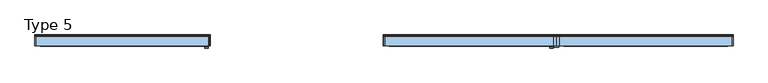
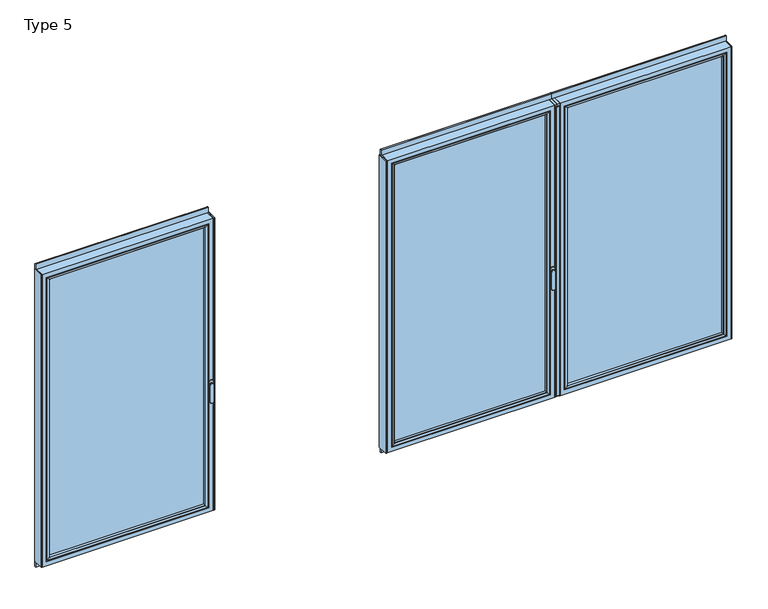
"""IFC4 building model written with IfcOpenShell, lengths in millimetres: window geometry, Type 5."""

from ifc_helpers import new_model, si_unit, point, frame, frame_2d, origin, place, context, project, spatial, polyline, circle_curve, ellipse_curve, trimmed, segment, composite_curve, outline, extrude, source, transform, mapped, element, save
from ifc_brep_helpers import plane_surface, cylinder_surface, extruded_surface, advanced_brep


def type_5_c3ba11f3(model_context):
    return source(origin(), model_context, "Body", "SolidModel", [
        extrude(outline(composite_curve([segment(polyline([(632.7000099, -60.0), (632.7000099, -67.5)]), True, "CONTINUOUS"), segment(trimmed(circle_curve(frame_2d((630.2000099, -67.5)), 2.5), [point((632.7000099, -67.5))], [point((630.2000099, -70.0))], False, "CARTESIAN"), True, "CONTINUOUS"), segment(polyline([(630.2000099, -70.0), (604.2000099, -70.0)]), True, "CONTINUOUS"), segment(trimmed(circle_curve(frame_2d((604.2000099, -67.5)), 2.5), [point((604.2000099, -70.0))], [point((601.7000099, -67.5))], False, "CARTESIAN"), True, "CONTINUOUS"), segment(polyline([(601.7000099, -67.5), (601.7000099, -60.0), (632.7000099, -60.0)]), True, "CONTINUOUS")], self_intersect=False)), frame((0.0, 0.0, 80.0), z_axis=(0.0, 0.0, 1.0), x_axis=(1.0, 0.0, 0.0)), (0.0, 0.0, 1.0), 2230.0),
        extrude(outline(polyline([(1893.6000099, 20.0), (1893.6000099, -60.0), (1887.6000099, -60.0), (1887.6000099, 20.0), (1893.6000099, 20.0)])), frame((0.0, 0.0, 66.0), z_axis=(0.0, 0.0, 1.0), x_axis=(1.0, 0.0, 0.0)), (0.0, 0.0, 1.0), 2258.0),
        extrude(outline(polyline([(617.2000099, 20.0), (637.2000099, 20.0), (637.2000099, -60.0), (617.2000099, -60.0), (617.2000099, 20.0)])), frame((0.0, 0.0, 66.0), z_axis=(0.0, 0.0, 1.0), x_axis=(1.0, 0.0, 0.0)), (0.0, 0.0, 1.0), 2258.0),
        advanced_brep(
        [(1887.6000099, -60.0, 2324.0), (1887.6000099, -60.0, 66.0), (1887.6000099, 20.0, 66.0), (1887.6000099, 20.0, 2324.0), (637.2000099, -60.0, 66.0), (637.2000099, 20.0, 66.0), (637.2000099, 20.0, 2324.0), (682.6996392, 20.0, 111.4996293), (1842.1003806, 20.0, 111.4996293), (1842.1003806, 20.0, 2278.5003707), (682.6996392, 20.0, 2278.5003707), (637.2000099, -60.0, 2324.0), (1855.6000099, -60.0, 98.0), (669.2000099, -60.0, 98.0), (669.2000099, -60.0, 2292.0), (1855.6000099, -60.0, 2292.0), (1855.6000099, 3.9999997, 2292.0), (1855.6000099, 3.9999997, 98.0), (669.2000099, 3.9999997, 98.0), (669.2000099, 3.9999997, 2292.0), (1837.5999979, 3.9999997, 116.000012), (687.2000219, 3.9999997, 116.000012), (687.2000219, 3.9999997, 2273.999988), (1837.5999979, 3.9999997, 2273.999988), (1837.5999979, 15.4995565, 2273.999988), (1837.5999979, 15.4995565, 116.000012), (687.2000219, 15.4995565, 116.000012), (687.2000219, 15.4995565, 2273.999988)],
        [
            (0, 1),
            (1, 2),
            (2, 3),
            (3, 0),
            (1, 4),
            (4, 5),
            (5, 2),
            (5, 6),
            (6, 3),
            (7, 8),
            (8, 9),
            (9, 10),
            (10, 7),
            (4, 11),
            (11, 6),
            (0, 11),
            (12, 13),
            (13, 14),
            (14, 15),
            (15, 12),
            (16, 17),
            (17, 12),
            (15, 16),
            (17, 18),
            (18, 13),
            (18, 19),
            (19, 14),
            (16, 19),
            (20, 21),
            (21, 22),
            (22, 23),
            (23, 20),
            (24, 25),
            (25, 20),
            (23, 24),
            (25, 26),
            (26, 21),
            (26, 27),
            (27, 22),
            (7, 26, ellipse_curve(frame((682.6996392, 15.4995565, 111.4996293), z_axis=(0.7071067811865475, 0.0, -0.7071067811865475), x_axis=(0.7071067811865476, 0.0, 0.7071067811865474)), 6.3645023, 4.5003827)),
            (25, 8, ellipse_curve(frame((1842.1003806, 15.4995565, 111.4996293), z_axis=(-0.7071067811865475, 0.0, -0.7071067811865475), x_axis=(0.7071067811865476, 0.0, -0.7071067811865474)), 6.3645023, 4.5003827)),
            (24, 9, ellipse_curve(frame((1842.1003806, 15.4995565, 2278.5003707), z_axis=(0.7071067811865475, 0.0, -0.7071067811865475), x_axis=(0.7071067811865474, 0.0, 0.7071067811865476)), 6.3645023, 4.5003827)),
            (10, 27, ellipse_curve(frame((682.6996392, 15.4995565, 2278.5003707), z_axis=(-0.7071067811865475, 0.0, -0.7071067811865475), x_axis=(0.7071067811865474, 0.0, -0.7071067811865476)), 6.3645023, 4.5003827)),
            (27, 24),
        ],
        [
            plane_surface(frame((1887.6000099, 20.0, 2324.0), z_axis=(1.0, 0.0, 0.0), x_axis=(0.0, 0.0, -1.0))),
            plane_surface(frame((1887.6000099, 20.0, 66.0), z_axis=(0.0, 0.0, -1.0), x_axis=(-1.0, 0.0, 0.0))),
            plane_surface(frame((1842.1003806, 20.0, 2278.5003707), z_axis=(0.0, 1.0, 0.0), x_axis=(0.0, 0.0, -1.0))),
            plane_surface(frame((637.2000099, 20.0, 66.0), z_axis=(-1.0, 0.0, 0.0), x_axis=(0.0, 0.0, 1.0))),
            plane_surface(frame((1887.6000099, -60.0, 2324.0), z_axis=(0.0, -1.0, 0.0), x_axis=(0.0, 0.0, -1.0))),
            plane_surface(frame((1855.6000099, -60.0, 2292.0), z_axis=(-1.0, 0.0, 0.0), x_axis=(0.0, 0.0, -1.0))),
            plane_surface(frame((1855.6000099, -60.0, 98.0), z_axis=(0.0, 0.0, 1.0), x_axis=(-1.0, 0.0, 0.0))),
            plane_surface(frame((669.2000099, -60.0, 98.0), z_axis=(1.0, 0.0, 0.0), x_axis=(0.0, 0.0, 1.0))),
            plane_surface(frame((1855.6000099, 3.9999997, 2292.0), z_axis=(0.0, -1.0, 0.0), x_axis=(0.0, 0.0, -1.0))),
            plane_surface(frame((1837.5999979, 3.9999997, 2273.999988), z_axis=(-1.0, 0.0, 0.0), x_axis=(0.0, 0.0, -1.0))),
            plane_surface(frame((1837.5999979, 3.9999997, 116.000012), z_axis=(0.0, 0.0, 1.0), x_axis=(-1.0, 0.0, 0.0))),
            plane_surface(frame((687.2000219, 3.9999997, 116.000012), z_axis=(1.0, 0.0, 0.0), x_axis=(0.0, 0.0, 1.0))),
            cylinder_surface(frame((1893.6000099, 15.4995565, 111.4996293), z_axis=(1.0, 0.0, 0.0), x_axis=(0.0, -1.0, 0.0)), 4.5003827),
            cylinder_surface(frame((1842.1003806, 15.4995565, 2330.0), z_axis=(0.0, 0.0, 1.0), x_axis=(0.0, -1.0, 0.0)), 4.5003827),
            cylinder_surface(frame((682.6996392, 15.4995565, 60.0), z_axis=(0.0, 0.0, -1.0), x_axis=(0.0, -1.0, 0.0)), 4.5003827),
            plane_surface(frame((637.2000099, 20.0, 2324.0), z_axis=(0.0, 0.0, 1.0), x_axis=(1.0, 0.0, 0.0))),
            plane_surface(frame((669.2000099, -60.0, 2292.0), z_axis=(0.0, 0.0, -1.0), x_axis=(1.0, 0.0, 0.0))),
            plane_surface(frame((687.2000219, 3.9999997, 2273.999988), z_axis=(0.0, 0.0, -1.0), x_axis=(1.0, 0.0, 0.0))),
            cylinder_surface(frame((631.2000099, 15.4995565, 2278.5003707), z_axis=(-1.0, 0.0, 0.0), x_axis=(0.0, -1.0, 0.0)), 4.5003827),
        ],
        [
            (0, [[1, 2, 3, 4]]),
            (1, [[5, 6, 7, -2]]),
            (2, [[-7, 8, 9, -3], [10, 11, 12, 13]]),
            (3, [[14, 15, -8, -6]]),
            (4, [[-5, -1, 16, -14], [17, 18, 19, 20]]),
            (5, [[21, 22, -20, 23]]),
            (6, [[24, 25, -17, -22]]),
            (7, [[26, 27, -18, -25]]),
            (8, [[-24, -21, 28, -26], [29, 30, 31, 32]]),
            (9, [[33, 34, -32, 35]]),
            (10, [[36, 37, -29, -34]]),
            (11, [[38, 39, -30, -37]]),
            (12, [[-10, 40, -36, 41]]),
            (13, [[-11, -41, -33, 42]]),
            (14, [[-13, 43, -38, -40]]),
            (15, [[-16, -4, -9, -15]]),
            (16, [[-28, -23, -19, -27]]),
            (17, [[44, -35, -31, -39]]),
            (18, [[-12, -42, -44, -43]]),
        ],
    ),
        extrude(outline(polyline([(1855.5996928, 3.9999997), (1855.5996928, -34.0000003), (669.2003271, -34.0000003), (669.2003271, 3.9999997), (1855.5996928, 3.9999997)])), frame((0.0, 0.0, 98.0003172), z_axis=(0.0, 0.0, 1.0), x_axis=(1.0, 0.0, 0.0)), (0.0, 0.0, 1.0), 2193.9993657),
        advanced_brep(
        [(691.1998998, -54.5552044, 2270.0001101), (691.1998998, -54.5552044, 119.9998899), (691.1998998, -34.0000003, 119.9998899), (691.1998998, -34.0000003, 2270.0001101), (669.2003271, -34.0000003, 2291.9996828), (1855.5996928, -34.0000003, 2291.9996828), (1855.5996928, -34.0000003, 98.0003172), (669.2003271, -34.0000003, 98.0003172), (1833.60012, -34.0000003, 2270.0001101), (1833.60012, -34.0000003, 119.9998899), (1833.60012, -54.5552044, 119.9998899), (690.4903564, -55.8045072, 2270.7096535), (690.4903564, -55.8045072, 119.2903465), (1834.3096634, -55.8045072, 119.2903465), (675.200266, -60.0, 2285.9997439), (675.200266, -60.0, 104.0002561), (1849.5997538, -60.0, 104.0002561), (1855.5996928, -60.0, 2291.9996828), (669.2003271, -60.0, 2291.9996828), (669.2003271, -60.0, 98.0003172), (1855.5996928, -60.0, 98.0003172), (1849.5997538, -60.0, 2285.9997439), (1833.60012, -54.5552044, 2270.0001101), (1834.3096634, -55.8045072, 2270.7096535)],
        [
            (0, 1),
            (1, 2),
            (2, 3),
            (3, 0),
            (4, 5),
            (5, 6),
            (6, 7),
            (7, 4),
            (8, 3),
            (2, 9),
            (9, 8),
            (1, 10),
            (10, 9),
            (11, 12),
            (12, 1, ellipse_curve(frame((689.7452958, -54.5552044, 118.5452859), z_axis=(-0.7071067811865475, 0.0, 0.7071067811865475), x_axis=(0.7071067811865474, 0.0, 0.7071067811865476)), 2.0571207, 1.454604)),
            (0, 11, ellipse_curve(frame((689.7452958, -54.5552044, 2271.4547141), z_axis=(-0.7071067811865475, 0.0, -0.7071067811865475), x_axis=(-0.7071067811865474, 0.0, 0.7071067811865476)), 2.0571207, 1.454604)),
            (12, 13),
            (13, 10, ellipse_curve(frame((1835.054724, -54.5552044, 118.5452859), z_axis=(-0.7071067811865475, 0.0, -0.7071067811865475), x_axis=(-0.7071067811865476, 0.0, 0.7071067811865474)), 2.0571207, 1.454604)),
            (14, 15),
            (15, 12, ellipse_curve(frame((675.2642016, -30.2735922, 104.0641917), z_axis=(-0.7071067811865475, 0.0, 0.7071067811865475), x_axis=(0.7071067811865474, 0.0, 0.7071067811865476)), 42.0395863, 29.7264765)),
            (11, 14, ellipse_curve(frame((675.2642016, -30.2735922, 2285.9358083), z_axis=(-0.7071067811865475, 0.0, -0.7071067811865475), x_axis=(-0.7071067811865474, 0.0, 0.7071067811865476)), 42.0395863, 29.7264765)),
            (15, 16),
            (16, 13, ellipse_curve(frame((1849.5358182, -30.2735922, 104.0641917), z_axis=(-0.7071067811865475, 0.0, -0.7071067811865475), x_axis=(-0.7071067811865476, 0.0, 0.7071067811865474)), 42.0395863, 29.7264765)),
            (17, 18),
            (18, 19),
            (19, 20),
            (20, 17),
            (14, 21),
            (21, 16),
            (7, 19),
            (18, 4),
            (6, 20),
            (10, 22),
            (22, 8),
            (13, 23),
            (23, 22, ellipse_curve(frame((1835.054724, -54.5552044, 2271.4547141), z_axis=(0.7071067811865475, 0.0, -0.7071067811865475), x_axis=(-0.7071067811865474, 0.0, -0.7071067811865476)), 2.0571207, 1.454604)),
            (21, 23, ellipse_curve(frame((1849.5358182, -30.2735922, 2285.9358083), z_axis=(0.7071067811865475, 0.0, -0.7071067811865475), x_axis=(-0.7071067811865474, 0.0, -0.7071067811865476)), 42.0395863, 29.7264765)),
            (5, 17),
            (22, 0),
            (23, 11),
        ],
        [
            plane_surface(frame((691.1998998, -34.0000003, 2270.0001101), z_axis=(1.0, 0.0, 0.0), x_axis=(0.0, 0.0, -1.0))),
            plane_surface(frame((1855.5996928, -34.0000003, 98.0003172), z_axis=(0.0, 1.0, 0.0), x_axis=(0.0, 0.0, 1.0))),
            plane_surface(frame((691.1998998, -34.0000003, 119.9998899), z_axis=(0.0, 0.0, 1.0), x_axis=(1.0, 0.0, 0.0))),
            cylinder_surface(frame((689.7452958, -54.5552044, 2273.999988), z_axis=(0.0, 0.0, 1.0), x_axis=(-1.0, 0.0, 0.0)), 1.454604),
            cylinder_surface(frame((687.2000219, -54.5552044, 118.5452859), z_axis=(-1.0, 0.0, 0.0), x_axis=(0.0, 0.0, -1.0)), 1.454604),
            cylinder_surface(frame((675.2642016, -30.2735922, 2273.999988), z_axis=(0.0, 0.0, 1.0), x_axis=(-1.0, 0.0, 0.0)), 29.7264765),
            cylinder_surface(frame((687.2000219, -30.2735922, 104.0641917), z_axis=(-1.0, 0.0, 0.0), x_axis=(0.0, 0.0, -1.0)), 29.7264765),
            plane_surface(frame((1849.5997538, -60.0, 104.0002561), z_axis=(0.0, -1.0, 0.0), x_axis=(0.0, 0.0, 1.0))),
            plane_surface(frame((669.2003271, -60.0, 2291.9996828), z_axis=(-1.0, 0.0, 0.0), x_axis=(0.0, 0.0, -1.0))),
            plane_surface(frame((669.2003271, -60.0, 98.0003172), z_axis=(0.0, 0.0, -1.0), x_axis=(1.0, 0.0, 0.0))),
            plane_surface(frame((1833.60012, -34.0000003, 119.9998899), z_axis=(-1.0, 0.0, 0.0), x_axis=(0.0, 0.0, 1.0))),
            cylinder_surface(frame((1835.054724, -54.5552044, 116.000012), z_axis=(0.0, 0.0, -1.0), x_axis=(1.0, 0.0, 0.0)), 1.454604),
            cylinder_surface(frame((1849.5358182, -30.2735922, 116.000012), z_axis=(0.0, 0.0, -1.0), x_axis=(1.0, 0.0, 0.0)), 29.7264765),
            plane_surface(frame((1855.5996928, -60.0, 98.0003172), z_axis=(1.0, 0.0, 0.0), x_axis=(0.0, 0.0, 1.0))),
            plane_surface(frame((1833.60012, -34.0000003, 2270.0001101), z_axis=(0.0, 0.0, -1.0), x_axis=(-1.0, 0.0, 0.0))),
            cylinder_surface(frame((1837.5999979, -54.5552044, 2271.4547141), z_axis=(1.0, 0.0, 0.0), x_axis=(0.0, 0.0, 1.0)), 1.454604),
            cylinder_surface(frame((1837.5999979, -30.2735922, 2285.9358083), z_axis=(1.0, 0.0, 0.0), x_axis=(0.0, 0.0, 1.0)), 29.7264765),
            plane_surface(frame((1855.5996928, -60.0, 2291.9996828), z_axis=(0.0, 0.0, 1.0), x_axis=(-1.0, 0.0, 0.0))),
        ],
        [
            (0, [[1, 2, 3, 4]]),
            (1, [[5, 6, 7, 8], [9, -3, 10, 11]]),
            (2, [[12, 13, -10, -2]]),
            (3, [[14, 15, -1, 16]]),
            (4, [[17, 18, -12, -15]]),
            (5, [[19, 20, -14, 21]]),
            (6, [[22, 23, -17, -20]]),
            (7, [[24, 25, 26, 27], [28, 29, -22, -19]]),
            (8, [[-8, 30, -25, 31]]),
            (9, [[-7, 32, -26, -30]]),
            (10, [[33, 34, -11, -13]]),
            (11, [[35, 36, -33, -18]]),
            (12, [[-29, 37, -35, -23]]),
            (13, [[-6, 38, -27, -32]]),
            (14, [[39, -4, -9, -34]]),
            (15, [[40, -16, -39, -36]]),
            (16, [[-28, -21, -40, -37]]),
            (17, [[-5, -31, -24, -38]]),
        ],
    ),
        extrude(outline(composite_curve([segment(polyline([(20.0, 2362.5), (20.0, 2324.0), (10.0, 2324.0), (10.0, 2365.0), (17.5, 2365.0)]), True, "CONTINUOUS"), segment(trimmed(circle_curve(frame_2d((17.5, 2362.5)), 2.5), [point((17.5, 2365.0))], [point((20.0, 2362.5))], False, "CARTESIAN"), True, "CONTINUOUS")], self_intersect=False)), frame((617.2000099, 0.0, 0.0), z_axis=(1.0, 0.0, 0.0), x_axis=(0.0, 1.0, 0.0)), (0.0, 0.0, 1.0), 1276.4),
        extrude(outline(composite_curve([segment(trimmed(circle_curve(frame_2d((17.5, 27.5)), 2.5), [point((20.0, 27.5))], [point((17.5, 25.0))], False, "CARTESIAN"), True, "CONTINUOUS"), segment(polyline([(17.5, 25.0), (10.0, 25.0), (10.0, 66.0), (20.0, 66.0), (20.0, 27.5)]), True, "CONTINUOUS")], self_intersect=False)), frame((617.2000099, 0.0, 0.0), z_axis=(1.0, 0.0, 0.0), x_axis=(0.0, 1.0, 0.0)), (0.0, 0.0, 1.0), 1276.4),
        advanced_brep(
        [(569.2113989, -63.5, 1050.0), (593.1886605, -63.5, 1050.0), (593.1886605, -66.8965533, 1050.0), (569.2113989, -66.8965533, 1050.0), (569.2113989, -74.5, 1050.0), (569.2113989, -74.5, 918.6867153), (593.1886605, -74.5, 918.6867153), (593.1886605, -74.5, 1050.0), (593.1886605, -66.8965533, 918.6867153), (569.2113989, -66.8965533, 918.6867153)],
        [
            (0, 1, circle_curve(frame((581.2000297, -63.5, 1050.0), z_axis=(0.0, 1.0, 0.0), x_axis=(1.0, 0.0, 0.0)), 11.9886308)),
            (1, 0, circle_curve(frame((581.2000297, -63.5, 1050.0), z_axis=(0.0, 1.0, 0.0), x_axis=(1.0, 0.0, 0.0)), 11.9886308)),
            (1, 2),
            (2, 3, circle_curve(frame((581.2000297, -66.8965533, 1050.0), z_axis=(0.0, 1.0, 0.0), x_axis=(1.0, 0.0, 0.0)), 11.9886308)),
            (3, 0),
            (3, 2, circle_curve(frame((581.2000297, -66.8965533, 1050.0), z_axis=(0.0, 1.0, 0.0), x_axis=(1.0, 0.0, 0.0)), 11.9886308)),
            (4, 5),
            (5, 6, ellipse_curve(frame((581.2000297, -74.5, 918.6867153), z_axis=(0.0, -1.0, 0.0), x_axis=(-1.0, 0.0, 0.0)), 11.9886308, 7.9050795)),
            (6, 7),
            (7, 4, circle_curve(frame((581.2000297, -74.5, 1050.0), z_axis=(0.0, -1.0, 0.0), x_axis=(1.0, 0.0, 0.0)), 11.9886308)),
            (2, 8),
            (8, 9, ellipse_curve(frame((581.2000297, -66.8965533, 918.6867153), z_axis=(0.0, 1.0, 0.0), x_axis=(-1.0, 0.0, 0.0)), 11.9886308, 7.9050795)),
            (9, 3),
            (4, 3),
            (9, 5),
            (8, 6),
            (2, 7),
        ],
        [
            plane_surface(frame((593.1886605, -63.5, 1050.0), z_axis=(0.0, 1.0, 0.0), x_axis=(0.0, 0.0, -1.0))),
            cylinder_surface(frame((581.2000297, -63.5, 1050.0), z_axis=(0.0, -1.0, 0.0), x_axis=(1.0, 0.0, 0.0)), 11.9886308),
            plane_surface(frame((569.2113989, -74.5, 928.3382074), z_axis=(0.0, -1.0, 0.0), x_axis=(0.0, 0.0, -1.0))),
            plane_surface(frame((569.2113989, -66.8965533, 928.3382074), z_axis=(0.0, 1.0, 0.0), x_axis=(0.0, 0.0, 1.0))),
            plane_surface(frame((569.2113989, -74.5, 1050.0), z_axis=(-1.0, 0.0, 0.0), x_axis=(0.0, 1.0, 0.0))),
            extruded_surface(trimmed(ellipse_curve(frame((581.2000297, -59.2931066, 918.6867153), z_axis=(0.0, -1.0, 0.0), x_axis=(-1.0, 0.0, 0.0)), 11.9886308, 7.9050795), [point((569.2113989, -59.2931066, 918.6867153))], [point((593.1886605, -59.2931066, 918.6867153))], True, "CARTESIAN"), (0.0, -7.603446699999992, 0.0), 7.603446699999992),
            plane_surface(frame((593.1886605, -74.5, 918.6867153), z_axis=(1.0, 0.0, 0.0), x_axis=(0.0, 1.0, 0.0))),
            cylinder_surface(frame((581.2000297, -66.8965533, 1050.0), z_axis=(0.0, -1.0, 0.0), x_axis=(1.0, 0.0, 0.0)), 11.9886308),
        ],
        [
            (0, [[1, 2]]),
            (1, [[-2, 3, 4, 5]]),
            (1, [[-1, -5, 6, -3]]),
            (2, [[7, 8, 9, 10]]),
            (3, [[11, 12, 13, -4]]),
            (4, [[-7, 14, -13, 15]]),
            (5, [[-8, -15, -12, 16]]),
            (6, [[-9, -16, -11, 17]]),
            (7, [[-10, -17, -6, -14]]),
        ],
    ),
        extrude(outline(composite_curve([segment(polyline([(1068.75, 567.2000297), (1031.25, 567.2000297)]), True, "CONTINUOUS"), segment(trimmed(circle_curve(frame_2d((1031.25, 581.2000297)), 14.0), [point((1031.25, 567.2000297))], [point((1031.25, 595.2000297))], False, "CARTESIAN"), True, "CONTINUOUS"), segment(polyline([(1031.25, 595.2000297), (1068.75, 595.2000297)]), True, "CONTINUOUS"), segment(trimmed(circle_curve(frame_2d((1068.75, 581.2000297)), 14.0), [point((1068.75, 595.2000297))], [point((1068.75, 567.2000297))], False, "CARTESIAN"), True, "CONTINUOUS")], self_intersect=False)), frame((0.0, -63.5, 0.0), z_axis=(0.0, 1.0, 0.0), x_axis=(0.0, 0.0, 1.0)), (0.0, 0.0, 1.0), 3.5),
        extrude(outline(polyline([(-631.1999703, 20.0), (-625.1999703, 20.0), (-625.1999703, -60.0), (-631.1999703, -60.0), (-631.1999703, 20.0)])), frame((0.0, 0.0, 66.0), z_axis=(0.0, 0.0, 1.0), x_axis=(1.0, 0.0, 0.0)), (0.0, 0.0, 1.0), 2258.0),
        extrude(outline(polyline([(617.2000297, 20.0), (617.2000297, -60.0), (597.2000297, -60.0), (597.2000297, 20.0), (617.2000297, 20.0)])), frame((0.0, 0.0, 66.0), z_axis=(0.0, 0.0, 1.0), x_axis=(1.0, 0.0, 0.0)), (0.0, 0.0, 1.0), 2258.0),
        advanced_brep(
        [(-625.1999703, -60.0, 2324.0), (-625.1999703, 20.0, 2324.0), (-625.1999703, 20.0, 66.0), (-625.1999703, -60.0, 66.0), (597.2000297, 20.0, 66.0), (597.2000297, -60.0, 66.0), (597.2000297, 20.0, 2324.0), (551.7004004, 20.0, 111.4996293), (551.7004004, 20.0, 2278.5003707), (-579.700341, 20.0, 2278.5003707), (-579.700341, 20.0, 111.4996293), (597.2000297, -60.0, 2324.0), (-593.1999703, -60.0, 98.0), (-593.1999703, -60.0, 2292.0), (565.2000297, -60.0, 2292.0), (565.2000297, -60.0, 98.0), (-593.1999703, 3.9999997, 2292.0), (-593.1999703, 3.9999997, 98.0), (565.2000297, 3.9999997, 98.0), (565.2000297, 3.9999997, 2292.0), (-575.1999583, 3.9999997, 116.000012), (-575.1999583, 3.9999997, 2273.999988), (547.2000178, 3.9999997, 2273.999988), (547.2000178, 3.9999997, 116.000012), (-575.1999583, 15.4995565, 2273.999988), (-575.1999583, 15.4995565, 116.000012), (547.2000178, 15.4995565, 116.000012), (547.2000178, 15.4995565, 2273.999988)],
        [
            (0, 1),
            (1, 2),
            (2, 3),
            (3, 0),
            (2, 4),
            (4, 5),
            (5, 3),
            (1, 6),
            (6, 4),
            (7, 8),
            (8, 9),
            (9, 10),
            (10, 7),
            (6, 11),
            (11, 5),
            (11, 0),
            (12, 13),
            (13, 14),
            (14, 15),
            (15, 12),
            (16, 13),
            (12, 17),
            (17, 16),
            (15, 18),
            (18, 17),
            (14, 19),
            (19, 18),
            (19, 16),
            (20, 21),
            (21, 22),
            (22, 23),
            (23, 20),
            (24, 21),
            (20, 25),
            (25, 24),
            (23, 26),
            (26, 25),
            (22, 27),
            (27, 26),
            (10, 25, ellipse_curve(frame((-579.700341, 15.4995565, 111.4996293), z_axis=(0.7071067811865475, 0.0, -0.7071067811865475), x_axis=(-0.7071067811865476, 0.0, -0.7071067811865474)), 6.3645023, 4.5003827)),
            (26, 7, ellipse_curve(frame((551.7004004, 15.4995565, 111.4996293), z_axis=(-0.7071067811865475, 0.0, -0.7071067811865475), x_axis=(-0.7071067811865476, 0.0, 0.7071067811865474)), 6.3645023, 4.5003827)),
            (9, 24, ellipse_curve(frame((-579.700341, 15.4995565, 2278.5003707), z_axis=(-0.7071067811865475, 0.0, -0.7071067811865475), x_axis=(-0.7071067811865474, 0.0, 0.7071067811865476)), 6.3645023, 4.5003827)),
            (27, 8, ellipse_curve(frame((551.7004004, 15.4995565, 2278.5003707), z_axis=(0.7071067811865475, 0.0, -0.7071067811865475), x_axis=(-0.7071067811865474, 0.0, -0.7071067811865476)), 6.3645023, 4.5003827)),
            (24, 27),
        ],
        [
            plane_surface(frame((-625.1999703, 20.0, 2324.0), z_axis=(-1.0, 0.0, 0.0), x_axis=(0.0, 0.0, -1.0))),
            plane_surface(frame((-625.1999703, 20.0, 66.0), z_axis=(0.0, 0.0, -1.0), x_axis=(1.0, 0.0, 0.0))),
            plane_surface(frame((-579.700341, 20.0, 2278.5003707), z_axis=(0.0, 1.0, 0.0), x_axis=(0.0, 0.0, -1.0))),
            plane_surface(frame((597.2000297, 20.0, 66.0), z_axis=(1.0, 0.0, 0.0), x_axis=(0.0, 0.0, 1.0))),
            plane_surface(frame((-625.1999703, -60.0, 2324.0), z_axis=(0.0, -1.0, 0.0), x_axis=(0.0, 0.0, -1.0))),
            plane_surface(frame((-593.1999703, -60.0, 2292.0), z_axis=(1.0, 0.0, 0.0), x_axis=(0.0, 0.0, -1.0))),
            plane_surface(frame((-593.1999703, -60.0, 98.0), z_axis=(0.0, 0.0, 1.0), x_axis=(1.0, 0.0, 0.0))),
            plane_surface(frame((565.2000297, -60.0, 98.0), z_axis=(-1.0, 0.0, 0.0), x_axis=(0.0, 0.0, 1.0))),
            plane_surface(frame((-593.1999703, 3.9999997, 2292.0), z_axis=(0.0, -1.0, 0.0), x_axis=(0.0, 0.0, -1.0))),
            plane_surface(frame((-575.1999583, 3.9999997, 2273.999988), z_axis=(1.0, 0.0, 0.0), x_axis=(0.0, 0.0, -1.0))),
            plane_surface(frame((-575.1999583, 3.9999997, 116.000012), z_axis=(0.0, 0.0, 1.0), x_axis=(1.0, 0.0, 0.0))),
            plane_surface(frame((547.2000178, 3.9999997, 116.000012), z_axis=(-1.0, 0.0, 0.0), x_axis=(0.0, 0.0, 1.0))),
            cylinder_surface(frame((-631.1999703, 15.4995565, 111.4996293), z_axis=(-1.0, 0.0, 0.0), x_axis=(0.0, -1.0, 0.0)), 4.5003827),
            cylinder_surface(frame((-579.700341, 15.4995565, 2330.0), z_axis=(0.0, 0.0, 1.0), x_axis=(0.0, -1.0, 0.0)), 4.5003827),
            cylinder_surface(frame((551.7004004, 15.4995565, 60.0), z_axis=(0.0, 0.0, -1.0), x_axis=(0.0, -1.0, 0.0)), 4.5003827),
            plane_surface(frame((597.2000297, 20.0, 2324.0), z_axis=(0.0, 0.0, 1.0), x_axis=(-1.0, 0.0, 0.0))),
            plane_surface(frame((565.2000297, -60.0, 2292.0), z_axis=(0.0, 0.0, -1.0), x_axis=(-1.0, 0.0, 0.0))),
            plane_surface(frame((547.2000178, 3.9999997, 2273.999988), z_axis=(0.0, 0.0, -1.0), x_axis=(-1.0, 0.0, 0.0))),
            cylinder_surface(frame((603.2000297, 15.4995565, 2278.5003707), z_axis=(1.0, 0.0, 0.0), x_axis=(0.0, -1.0, 0.0)), 4.5003827),
        ],
        [
            (0, [[1, 2, 3, 4]]),
            (1, [[-3, 5, 6, 7]]),
            (2, [[-2, 8, 9, -5], [10, 11, 12, 13]]),
            (3, [[-6, -9, 14, 15]]),
            (4, [[-15, 16, -4, -7], [17, 18, 19, 20]]),
            (5, [[21, -17, 22, 23]]),
            (6, [[-22, -20, 24, 25]]),
            (7, [[-24, -19, 26, 27]]),
            (8, [[-27, 28, -23, -25], [29, 30, 31, 32]]),
            (9, [[33, -29, 34, 35]]),
            (10, [[-34, -32, 36, 37]]),
            (11, [[-36, -31, 38, 39]]),
            (12, [[40, -37, 41, -13]]),
            (13, [[42, -35, -40, -12]]),
            (14, [[-41, -39, 43, -10]]),
            (15, [[-14, -8, -1, -16]]),
            (16, [[-26, -18, -21, -28]]),
            (17, [[-38, -30, -33, 44]]),
            (18, [[-43, -44, -42, -11]]),
        ],
    ),
        extrude(outline(polyline([(-593.1996531, 3.9999997), (565.1997126, 3.9999997), (565.1997126, -34.0000003), (-593.1996531, -34.0000003), (-593.1996531, 3.9999997)])), frame((0.0, 0.0, 98.0003172), z_axis=(0.0, 0.0, 1.0), x_axis=(1.0, 0.0, 0.0)), (0.0, 0.0, 1.0), 2193.9993657),
        advanced_brep(
        [(543.2001398, -54.5552044, 2270.0001101), (543.2001398, -34.0000003, 2270.0001101), (543.2001398, -34.0000003, 119.9998899), (543.2001398, -54.5552044, 119.9998899), (565.1997126, -34.0000003, 2291.9996828), (565.1997126, -34.0000003, 98.0003172), (-593.1996531, -34.0000003, 98.0003172), (-593.1996531, -34.0000003, 2291.9996828), (-571.2000804, -34.0000003, 2270.0001101), (-571.2000804, -34.0000003, 119.9998899), (-571.2000804, -54.5552044, 119.9998899), (543.9096832, -55.8045072, 2270.7096535), (543.9096832, -55.8045072, 119.2903465), (-571.9096238, -55.8045072, 119.2903465), (559.1997736, -60.0, 2285.9997439), (559.1997736, -60.0, 104.0002561), (-587.1997142, -60.0, 104.0002561), (-593.1996531, -60.0, 2291.9996828), (-593.1996531, -60.0, 98.0003172), (565.1997126, -60.0, 98.0003172), (565.1997126, -60.0, 2291.9996828), (-587.1997142, -60.0, 2285.9997439), (-571.2000804, -54.5552044, 2270.0001101), (-571.9096238, -55.8045072, 2270.7096535)],
        [
            (0, 1),
            (1, 2),
            (2, 3),
            (3, 0),
            (4, 5),
            (5, 6),
            (6, 7),
            (7, 4),
            (8, 9),
            (9, 2),
            (1, 8),
            (9, 10),
            (10, 3),
            (11, 0, ellipse_curve(frame((544.6547438, -54.5552044, 2271.4547141), z_axis=(0.7071067811865475, 0.0, -0.7071067811865475), x_axis=(0.7071067811865474, 0.0, 0.7071067811865476)), 2.0571207, 1.454604)),
            (3, 12, ellipse_curve(frame((544.6547438, -54.5552044, 118.5452859), z_axis=(0.7071067811865475, 0.0, 0.7071067811865475), x_axis=(-0.7071067811865474, 0.0, 0.7071067811865476)), 2.0571207, 1.454604)),
            (12, 11),
            (10, 13, ellipse_curve(frame((-572.6546844, -54.5552044, 118.5452859), z_axis=(0.7071067811865475, 0.0, -0.7071067811865475), x_axis=(0.7071067811865476, 0.0, 0.7071067811865474)), 2.0571207, 1.454604)),
            (13, 12),
            (14, 11, ellipse_curve(frame((559.135838, -30.2735922, 2285.9358083), z_axis=(0.7071067811865475, 0.0, -0.7071067811865475), x_axis=(0.7071067811865474, 0.0, 0.7071067811865476)), 42.0395863, 29.7264765)),
            (12, 15, ellipse_curve(frame((559.135838, -30.2735922, 104.0641917), z_axis=(0.7071067811865475, 0.0, 0.7071067811865475), x_axis=(-0.7071067811865474, 0.0, 0.7071067811865476)), 42.0395863, 29.7264765)),
            (15, 14),
            (13, 16, ellipse_curve(frame((-587.1357786, -30.2735922, 104.0641917), z_axis=(0.7071067811865475, 0.0, -0.7071067811865475), x_axis=(0.7071067811865476, 0.0, 0.7071067811865474)), 42.0395863, 29.7264765)),
            (16, 15),
            (17, 18),
            (18, 19),
            (19, 20),
            (20, 17),
            (16, 21),
            (21, 14),
            (4, 20),
            (19, 5),
            (18, 6),
            (8, 22),
            (22, 10),
            (22, 23, ellipse_curve(frame((-572.6546844, -54.5552044, 2271.4547141), z_axis=(-0.7071067811865475, 0.0, -0.7071067811865475), x_axis=(0.7071067811865474, 0.0, -0.7071067811865476)), 2.0571207, 1.454604)),
            (23, 13),
            (23, 21, ellipse_curve(frame((-587.1357786, -30.2735922, 2285.9358083), z_axis=(-0.7071067811865475, 0.0, -0.7071067811865475), x_axis=(0.7071067811865474, 0.0, -0.7071067811865476)), 42.0395863, 29.7264765)),
            (17, 7),
            (0, 22),
            (11, 23),
        ],
        [
            plane_surface(frame((543.2001398, -34.0000003, 2270.0001101), z_axis=(-1.0, 0.0, 0.0), x_axis=(0.0, 0.0, -1.0))),
            plane_surface(frame((-593.1996531, -34.0000003, 98.0003172), z_axis=(0.0, 1.0, 0.0), x_axis=(0.0, 0.0, 1.0))),
            plane_surface(frame((543.2001398, -34.0000003, 119.9998899), z_axis=(0.0, 0.0, 1.0), x_axis=(-1.0, 0.0, 0.0))),
            cylinder_surface(frame((544.6547438, -54.5552044, 2273.999988), z_axis=(0.0, 0.0, 1.0), x_axis=(1.0, 0.0, 0.0)), 1.454604),
            cylinder_surface(frame((547.2000178, -54.5552044, 118.5452859), z_axis=(1.0, 0.0, 0.0), x_axis=(0.0, 0.0, -1.0)), 1.454604),
            cylinder_surface(frame((559.135838, -30.2735922, 2273.999988), z_axis=(0.0, 0.0, 1.0), x_axis=(1.0, 0.0, 0.0)), 29.7264765),
            cylinder_surface(frame((547.2000178, -30.2735922, 104.0641917), z_axis=(1.0, 0.0, 0.0), x_axis=(0.0, 0.0, -1.0)), 29.7264765),
            plane_surface(frame((-587.1997142, -60.0, 104.0002561), z_axis=(0.0, -1.0, 0.0), x_axis=(0.0, 0.0, 1.0))),
            plane_surface(frame((565.1997126, -60.0, 2291.9996828), z_axis=(1.0, 0.0, 0.0), x_axis=(0.0, 0.0, -1.0))),
            plane_surface(frame((565.1997126, -60.0, 98.0003172), z_axis=(0.0, 0.0, -1.0), x_axis=(-1.0, 0.0, 0.0))),
            plane_surface(frame((-571.2000804, -34.0000003, 119.9998899), z_axis=(1.0, 0.0, 0.0), x_axis=(0.0, 0.0, 1.0))),
            cylinder_surface(frame((-572.6546844, -54.5552044, 116.000012), z_axis=(0.0, 0.0, -1.0), x_axis=(-1.0, 0.0, 0.0)), 1.454604),
            cylinder_surface(frame((-587.1357786, -30.2735922, 116.000012), z_axis=(0.0, 0.0, -1.0), x_axis=(-1.0, 0.0, 0.0)), 29.7264765),
            plane_surface(frame((-593.1996531, -60.0, 98.0003172), z_axis=(-1.0, 0.0, 0.0), x_axis=(0.0, 0.0, 1.0))),
            plane_surface(frame((-571.2000804, -34.0000003, 2270.0001101), z_axis=(0.0, 0.0, -1.0), x_axis=(1.0, 0.0, 0.0))),
            cylinder_surface(frame((-575.1999583, -54.5552044, 2271.4547141), z_axis=(-1.0, 0.0, 0.0), x_axis=(0.0, 0.0, 1.0)), 1.454604),
            cylinder_surface(frame((-575.1999583, -30.2735922, 2285.9358083), z_axis=(-1.0, 0.0, 0.0), x_axis=(0.0, 0.0, 1.0)), 29.7264765),
            plane_surface(frame((-593.1996531, -60.0, 2291.9996828), z_axis=(0.0, 0.0, 1.0), x_axis=(1.0, 0.0, 0.0))),
        ],
        [
            (0, [[1, 2, 3, 4]]),
            (1, [[5, 6, 7, 8], [9, 10, -2, 11]]),
            (2, [[-3, -10, 12, 13]]),
            (3, [[14, -4, 15, 16]]),
            (4, [[-15, -13, 17, 18]]),
            (5, [[19, -16, 20, 21]]),
            (6, [[-20, -18, 22, 23]]),
            (7, [[24, 25, 26, 27], [-21, -23, 28, 29]]),
            (8, [[30, -26, 31, -5]]),
            (9, [[-31, -25, 32, -6]]),
            (10, [[-12, -9, 33, 34]]),
            (11, [[-17, -34, 35, 36]]),
            (12, [[-22, -36, 37, -28]]),
            (13, [[-32, -24, 38, -7]]),
            (14, [[-33, -11, -1, 39]]),
            (15, [[-35, -39, -14, 40]]),
            (16, [[-37, -40, -19, -29]]),
            (17, [[-38, -27, -30, -8]]),
        ],
    ),
        extrude(outline(composite_curve([segment(polyline([(20.0, 2362.5), (20.0, 2324.0), (10.0, 2324.0), (10.0, 2365.0), (17.5, 2365.0)]), True, "CONTINUOUS"), segment(trimmed(circle_curve(frame_2d((17.5, 2362.5)), 2.5), [point((17.5, 2365.0))], [point((20.0, 2362.5))], False, "CARTESIAN"), True, "CONTINUOUS")], self_intersect=False)), frame((-631.1999703, 0.0, 0.0), z_axis=(1.0, 0.0, 0.0), x_axis=(0.0, 1.0, 0.0)), (0.0, 0.0, 1.0), 1248.4),
        extrude(outline(composite_curve([segment(trimmed(circle_curve(frame_2d((17.5, 27.5)), 2.5), [point((20.0, 27.5))], [point((17.5, 25.0))], False, "CARTESIAN"), True, "CONTINUOUS"), segment(polyline([(17.5, 25.0), (10.0, 25.0), (10.0, 66.0), (20.0, 66.0), (20.0, 27.5)]), True, "CONTINUOUS")], self_intersect=False)), frame((-631.1999703, 0.0, 0.0), z_axis=(1.0, 0.0, 0.0), x_axis=(0.0, 1.0, 0.0)), (0.0, 0.0, 1.0), 1248.4),
        advanced_brep(
        [(-1927.5885813, -63.5, 1050.0), (-1903.6113197, -63.5, 1050.0), (-1903.6113197, -66.8965533, 1050.0), (-1927.5885813, -66.8965533, 1050.0), (-1927.5885813, -74.5, 1050.0), (-1927.5885813, -74.5, 918.6867153), (-1903.6113197, -74.5, 918.6867153), (-1903.6113197, -74.5, 1050.0), (-1903.6113197, -66.8965533, 918.6867153), (-1927.5885813, -66.8965533, 918.6867153)],
        [
            (0, 1, circle_curve(frame((-1915.5999505, -63.5, 1050.0), z_axis=(0.0, 1.0, 0.0), x_axis=(1.0, 0.0, 0.0)), 11.9886308)),
            (1, 0, circle_curve(frame((-1915.5999505, -63.5, 1050.0), z_axis=(0.0, 1.0, 0.0), x_axis=(1.0, 0.0, 0.0)), 11.9886308)),
            (1, 2),
            (2, 3, circle_curve(frame((-1915.5999505, -66.8965533, 1050.0), z_axis=(0.0, 1.0, 0.0), x_axis=(1.0, 0.0, 0.0)), 11.9886308)),
            (3, 0),
            (3, 2, circle_curve(frame((-1915.5999505, -66.8965533, 1050.0), z_axis=(0.0, 1.0, 0.0), x_axis=(1.0, 0.0, 0.0)), 11.9886308)),
            (4, 5),
            (5, 6, ellipse_curve(frame((-1915.5999505, -74.5, 918.6867153), z_axis=(0.0, -1.0, 0.0), x_axis=(-1.0, 0.0, 0.0)), 11.9886308, 7.9050795)),
            (6, 7),
            (7, 4, circle_curve(frame((-1915.5999505, -74.5, 1050.0), z_axis=(0.0, -1.0, 0.0), x_axis=(1.0, 0.0, 0.0)), 11.9886308)),
            (2, 8),
            (8, 9, ellipse_curve(frame((-1915.5999505, -66.8965533, 918.6867153), z_axis=(0.0, 1.0, 0.0), x_axis=(-1.0, 0.0, 0.0)), 11.9886308, 7.9050795)),
            (9, 3),
            (4, 3),
            (9, 5),
            (8, 6),
            (2, 7),
        ],
        [
            plane_surface(frame((-1903.6113197, -63.5, 1050.0), z_axis=(0.0, 1.0, 0.0), x_axis=(0.0, 0.0, -1.0))),
            cylinder_surface(frame((-1915.5999505, -63.5, 1050.0), z_axis=(0.0, -1.0, 0.0), x_axis=(1.0, 0.0, 0.0)), 11.9886308),
            plane_surface(frame((-1927.5885813, -74.5, 928.3382074), z_axis=(0.0, -1.0, 0.0), x_axis=(0.0, 0.0, -1.0))),
            plane_surface(frame((-1927.5885813, -66.8965533, 928.3382074), z_axis=(0.0, 1.0, 0.0), x_axis=(0.0, 0.0, 1.0))),
            plane_surface(frame((-1927.5885813, -74.5, 1050.0), z_axis=(-1.0, 0.0, 0.0), x_axis=(0.0, 1.0, 0.0))),
            extruded_surface(trimmed(ellipse_curve(frame((-1915.5999505, -59.2931066, 918.6867153), z_axis=(0.0, -1.0, 0.0), x_axis=(-1.0, 0.0, 0.0)), 11.9886308, 7.9050795), [point((-1927.5885813, -59.2931066, 918.6867153))], [point((-1903.6113197, -59.2931066, 918.6867153))], True, "CARTESIAN"), (0.0, -7.603446699999992, 0.0), 7.603446699999992),
            plane_surface(frame((-1903.6113197, -74.5, 918.6867153), z_axis=(1.0, 0.0, 0.0), x_axis=(0.0, 1.0, 0.0))),
            cylinder_surface(frame((-1915.5999505, -66.8965533, 1050.0), z_axis=(0.0, -1.0, 0.0), x_axis=(1.0, 0.0, 0.0)), 11.9886308),
        ],
        [
            (0, [[1, 2]]),
            (1, [[-2, 3, 4, 5]]),
            (1, [[-1, -5, 6, -3]]),
            (2, [[7, 8, 9, 10]]),
            (3, [[11, 12, 13, -4]]),
            (4, [[-7, 14, -13, 15]]),
            (5, [[-8, -15, -12, 16]]),
            (6, [[-9, -16, -11, 17]]),
            (7, [[-10, -17, -6, -14]]),
        ],
    ),
        extrude(outline(composite_curve([segment(polyline([(1068.75, -1929.5999505), (1031.25, -1929.5999505)]), True, "CONTINUOUS"), segment(trimmed(circle_curve(frame_2d((1031.25, -1915.5999505)), 14.0), [point((1031.25, -1929.5999505))], [point((1031.25, -1901.5999505))], False, "CARTESIAN"), True, "CONTINUOUS"), segment(polyline([(1031.25, -1901.5999505), (1068.75, -1901.5999505)]), True, "CONTINUOUS"), segment(trimmed(circle_curve(frame_2d((1068.75, -1915.5999505)), 14.0), [point((1068.75, -1901.5999505))], [point((1068.75, -1929.5999505))], False, "CARTESIAN"), True, "CONTINUOUS")], self_intersect=False)), frame((0.0, -63.5, 0.0), z_axis=(0.0, 1.0, 0.0), x_axis=(0.0, 0.0, 1.0)), (0.0, 0.0, 1.0), 3.5),
        extrude(outline(polyline([(-3155.9999505, 20.0), (-3149.9999505, 20.0), (-3149.9999505, -60.0), (-3155.9999505, -60.0), (-3155.9999505, 20.0)])), frame((0.0, 0.0, 66.0), z_axis=(0.0, 0.0, 1.0), x_axis=(1.0, 0.0, 0.0)), (0.0, 0.0, 1.0), 2258.0),
        extrude(outline(polyline([(-1893.5999505, 20.0), (-1893.5999505, -60.0), (-1899.5999505, -60.0), (-1899.5999505, 20.0), (-1893.5999505, 20.0)])), frame((0.0, 0.0, 66.0), z_axis=(0.0, 0.0, 1.0), x_axis=(1.0, 0.0, 0.0)), (0.0, 0.0, 1.0), 2258.0),
        advanced_brep(
        [(-3149.9999505, -60.0, 2324.0), (-3149.9999505, 20.0, 2324.0), (-3149.9999505, 20.0, 66.0), (-3149.9999505, -60.0, 66.0), (-1899.5999505, 20.0, 66.0), (-1899.5999505, -60.0, 66.0), (-1899.5999505, 20.0, 2324.0), (-1945.0995798, 20.0, 111.4996293), (-1945.0995798, 20.0, 2278.5003707), (-3104.5003212, 20.0, 2278.5003707), (-3104.5003212, 20.0, 111.4996293), (-1899.5999505, -60.0, 2324.0), (-3117.9999505, -60.0, 98.0), (-3117.9999505, -60.0, 2292.0), (-1931.5999505, -60.0, 2292.0), (-1931.5999505, -60.0, 98.0), (-3117.9999505, 3.9999997, 2292.0), (-3117.9999505, 3.9999997, 98.0), (-1931.5999505, 3.9999997, 98.0), (-1931.5999505, 3.9999997, 2292.0), (-3099.9999385, 3.9999997, 116.000012), (-3099.9999385, 3.9999997, 2273.999988), (-1949.5999624, 3.9999997, 2273.999988), (-1949.5999624, 3.9999997, 116.000012), (-3099.9999385, 15.4995565, 2273.999988), (-3099.9999385, 15.4995565, 116.000012), (-1949.5999624, 15.4995565, 116.000012), (-1949.5999624, 15.4995565, 2273.999988)],
        [
            (0, 1),
            (1, 2),
            (2, 3),
            (3, 0),
            (2, 4),
            (4, 5),
            (5, 3),
            (1, 6),
            (6, 4),
            (7, 8),
            (8, 9),
            (9, 10),
            (10, 7),
            (6, 11),
            (11, 5),
            (11, 0),
            (12, 13),
            (13, 14),
            (14, 15),
            (15, 12),
            (16, 13),
            (12, 17),
            (17, 16),
            (15, 18),
            (18, 17),
            (14, 19),
            (19, 18),
            (19, 16),
            (20, 21),
            (21, 22),
            (22, 23),
            (23, 20),
            (24, 21),
            (20, 25),
            (25, 24),
            (23, 26),
            (26, 25),
            (22, 27),
            (27, 26),
            (10, 25, ellipse_curve(frame((-3104.5003212, 15.4995565, 111.4996293), z_axis=(0.7071067811865475, 0.0, -0.7071067811865475), x_axis=(-0.7071067811865476, 0.0, -0.7071067811865474)), 6.3645023, 4.5003827)),
            (26, 7, ellipse_curve(frame((-1945.0995798, 15.4995565, 111.4996293), z_axis=(-0.7071067811865475, 0.0, -0.7071067811865475), x_axis=(-0.7071067811865476, 0.0, 0.7071067811865474)), 6.3645023, 4.5003827)),
            (9, 24, ellipse_curve(frame((-3104.5003212, 15.4995565, 2278.5003707), z_axis=(-0.7071067811865475, 0.0, -0.7071067811865475), x_axis=(-0.7071067811865474, 0.0, 0.7071067811865476)), 6.3645023, 4.5003827)),
            (27, 8, ellipse_curve(frame((-1945.0995798, 15.4995565, 2278.5003707), z_axis=(0.7071067811865475, 0.0, -0.7071067811865475), x_axis=(-0.7071067811865474, 0.0, -0.7071067811865476)), 6.3645023, 4.5003827)),
            (24, 27),
        ],
        [
            plane_surface(frame((-3149.9999505, 20.0, 2324.0), z_axis=(-1.0, 0.0, 0.0), x_axis=(0.0, 0.0, -1.0))),
            plane_surface(frame((-3149.9999505, 20.0, 66.0), z_axis=(0.0, 0.0, -1.0), x_axis=(1.0, 0.0, 0.0))),
            plane_surface(frame((-3104.5003212, 20.0, 2278.5003707), z_axis=(0.0, 1.0, 0.0), x_axis=(0.0, 0.0, -1.0))),
            plane_surface(frame((-1899.5999505, 20.0, 66.0), z_axis=(1.0, 0.0, 0.0), x_axis=(0.0, 0.0, 1.0))),
            plane_surface(frame((-3149.9999505, -60.0, 2324.0), z_axis=(0.0, -1.0, 0.0), x_axis=(0.0, 0.0, -1.0))),
            plane_surface(frame((-3117.9999505, -60.0, 2292.0), z_axis=(1.0, 0.0, 0.0), x_axis=(0.0, 0.0, -1.0))),
            plane_surface(frame((-3117.9999505, -60.0, 98.0), z_axis=(0.0, 0.0, 1.0), x_axis=(1.0, 0.0, 0.0))),
            plane_surface(frame((-1931.5999505, -60.0, 98.0), z_axis=(-1.0, 0.0, 0.0), x_axis=(0.0, 0.0, 1.0))),
            plane_surface(frame((-3117.9999505, 3.9999997, 2292.0), z_axis=(0.0, -1.0, 0.0), x_axis=(0.0, 0.0, -1.0))),
            plane_surface(frame((-3099.9999385, 3.9999997, 2273.999988), z_axis=(1.0, 0.0, 0.0), x_axis=(0.0, 0.0, -1.0))),
            plane_surface(frame((-3099.9999385, 3.9999997, 116.000012), z_axis=(0.0, 0.0, 1.0), x_axis=(1.0, 0.0, 0.0))),
            plane_surface(frame((-1949.5999624, 3.9999997, 116.000012), z_axis=(-1.0, 0.0, 0.0), x_axis=(0.0, 0.0, 1.0))),
            cylinder_surface(frame((-3155.9999505, 15.4995565, 111.4996293), z_axis=(-1.0, 0.0, 0.0), x_axis=(0.0, -1.0, 0.0)), 4.5003827),
            cylinder_surface(frame((-3104.5003212, 15.4995565, 2330.0), z_axis=(0.0, 0.0, 1.0), x_axis=(0.0, -1.0, 0.0)), 4.5003827),
            cylinder_surface(frame((-1945.0995798, 15.4995565, 60.0), z_axis=(0.0, 0.0, -1.0), x_axis=(0.0, -1.0, 0.0)), 4.5003827),
            plane_surface(frame((-1899.5999505, 20.0, 2324.0), z_axis=(0.0, 0.0, 1.0), x_axis=(-1.0, 0.0, 0.0))),
            plane_surface(frame((-1931.5999505, -60.0, 2292.0), z_axis=(0.0, 0.0, -1.0), x_axis=(-1.0, 0.0, 0.0))),
            plane_surface(frame((-1949.5999624, 3.9999997, 2273.999988), z_axis=(0.0, 0.0, -1.0), x_axis=(-1.0, 0.0, 0.0))),
            cylinder_surface(frame((-1893.5999505, 15.4995565, 2278.5003707), z_axis=(1.0, 0.0, 0.0), x_axis=(0.0, -1.0, 0.0)), 4.5003827),
        ],
        [
            (0, [[1, 2, 3, 4]]),
            (1, [[-3, 5, 6, 7]]),
            (2, [[-2, 8, 9, -5], [10, 11, 12, 13]]),
            (3, [[-6, -9, 14, 15]]),
            (4, [[-15, 16, -4, -7], [17, 18, 19, 20]]),
            (5, [[21, -17, 22, 23]]),
            (6, [[-22, -20, 24, 25]]),
            (7, [[-24, -19, 26, 27]]),
            (8, [[-27, 28, -23, -25], [29, 30, 31, 32]]),
            (9, [[33, -29, 34, 35]]),
            (10, [[-34, -32, 36, 37]]),
            (11, [[-36, -31, 38, 39]]),
            (12, [[40, -37, 41, -13]]),
            (13, [[42, -35, -40, -12]]),
            (14, [[-41, -39, 43, -10]]),
            (15, [[-14, -8, -1, -16]]),
            (16, [[-26, -18, -21, -28]]),
            (17, [[-38, -30, -33, 44]]),
            (18, [[-43, -44, -42, -11]]),
        ],
    ),
        extrude(outline(polyline([(-3117.9996333, 3.9999997), (-1931.6002676, 3.9999997), (-1931.6002676, -34.0000003), (-3117.9996333, -34.0000003), (-3117.9996333, 3.9999997)])), frame((0.0, 0.0, 98.0003172), z_axis=(0.0, 0.0, 1.0), x_axis=(1.0, 0.0, 0.0)), (0.0, 0.0, 1.0), 2193.9993657),
        advanced_brep(
        [(-1953.5998404, -54.5552044, 2270.0001101), (-1953.5998404, -34.0000003, 2270.0001101), (-1953.5998404, -34.0000003, 119.9998899), (-1953.5998404, -54.5552044, 119.9998899), (-1931.6002676, -34.0000003, 2291.9996828), (-1931.6002676, -34.0000003, 98.0003172), (-3117.9996333, -34.0000003, 98.0003172), (-3117.9996333, -34.0000003, 2291.9996828), (-3096.0000606, -34.0000003, 2270.0001101), (-3096.0000606, -34.0000003, 119.9998899), (-3096.0000606, -54.5552044, 119.9998899), (-1952.890297, -55.8045072, 2270.7096535), (-1952.890297, -55.8045072, 119.2903465), (-3096.709604, -55.8045072, 119.2903465), (-1937.6002066, -60.0, 2285.9997439), (-1937.6002066, -60.0, 104.0002561), (-3111.9996944, -60.0, 104.0002561), (-3117.9996333, -60.0, 2291.9996828), (-3117.9996333, -60.0, 98.0003172), (-1931.6002676, -60.0, 98.0003172), (-1931.6002676, -60.0, 2291.9996828), (-3111.9996944, -60.0, 2285.9997439), (-3096.0000606, -54.5552044, 2270.0001101), (-3096.709604, -55.8045072, 2270.7096535)],
        [
            (0, 1),
            (1, 2),
            (2, 3),
            (3, 0),
            (4, 5),
            (5, 6),
            (6, 7),
            (7, 4),
            (8, 9),
            (9, 2),
            (1, 8),
            (9, 10),
            (10, 3),
            (11, 0, ellipse_curve(frame((-1952.1452364, -54.5552044, 2271.4547141), z_axis=(0.7071067811865475, 0.0, -0.7071067811865475), x_axis=(0.7071067811865474, 0.0, 0.7071067811865476)), 2.0571207, 1.454604)),
            (3, 12, ellipse_curve(frame((-1952.1452364, -54.5552044, 118.5452859), z_axis=(0.7071067811865475, 0.0, 0.7071067811865475), x_axis=(-0.7071067811865474, 0.0, 0.7071067811865476)), 2.0571207, 1.454604)),
            (12, 11),
            (10, 13, ellipse_curve(frame((-3097.4546645, -54.5552044, 118.5452859), z_axis=(0.7071067811865475, 0.0, -0.7071067811865475), x_axis=(0.7071067811865476, 0.0, 0.7071067811865474)), 2.0571207, 1.454604)),
            (13, 12),
            (14, 11, ellipse_curve(frame((-1937.6641422, -30.2735922, 2285.9358083), z_axis=(0.7071067811865475, 0.0, -0.7071067811865475), x_axis=(0.7071067811865474, 0.0, 0.7071067811865476)), 42.0395863, 29.7264765)),
            (12, 15, ellipse_curve(frame((-1937.6641422, -30.2735922, 104.0641917), z_axis=(0.7071067811865475, 0.0, 0.7071067811865475), x_axis=(-0.7071067811865474, 0.0, 0.7071067811865476)), 42.0395863, 29.7264765)),
            (15, 14),
            (13, 16, ellipse_curve(frame((-3111.9357588, -30.2735922, 104.0641917), z_axis=(0.7071067811865475, 0.0, -0.7071067811865475), x_axis=(0.7071067811865476, 0.0, 0.7071067811865474)), 42.0395863, 29.7264765)),
            (16, 15),
            (17, 18),
            (18, 19),
            (19, 20),
            (20, 17),
            (16, 21),
            (21, 14),
            (4, 20),
            (19, 5),
            (18, 6),
            (8, 22),
            (22, 10),
            (22, 23, ellipse_curve(frame((-3097.4546645, -54.5552044, 2271.4547141), z_axis=(-0.7071067811865475, 0.0, -0.7071067811865475), x_axis=(0.7071067811865474, 0.0, -0.7071067811865476)), 2.0571207, 1.454604)),
            (23, 13),
            (23, 21, ellipse_curve(frame((-3111.9357588, -30.2735922, 2285.9358083), z_axis=(-0.7071067811865475, 0.0, -0.7071067811865475), x_axis=(0.7071067811865474, 0.0, -0.7071067811865476)), 42.0395863, 29.7264765)),
            (17, 7),
            (0, 22),
            (11, 23),
        ],
        [
            plane_surface(frame((-1953.5998404, -34.0000003, 2270.0001101), z_axis=(-1.0, 0.0, 0.0), x_axis=(0.0, 0.0, -1.0))),
            plane_surface(frame((-3117.9996333, -34.0000003, 98.0003172), z_axis=(0.0, 1.0, 0.0), x_axis=(0.0, 0.0, 1.0))),
            plane_surface(frame((-1953.5998404, -34.0000003, 119.9998899), z_axis=(0.0, 0.0, 1.0), x_axis=(-1.0, 0.0, 0.0))),
            cylinder_surface(frame((-1952.1452364, -54.5552044, 2273.999988), z_axis=(0.0, 0.0, 1.0), x_axis=(1.0, 0.0, 0.0)), 1.454604),
            cylinder_surface(frame((-1949.5999624, -54.5552044, 118.5452859), z_axis=(1.0, 0.0, 0.0), x_axis=(0.0, 0.0, -1.0)), 1.454604),
            cylinder_surface(frame((-1937.6641422, -30.2735922, 2273.999988), z_axis=(0.0, 0.0, 1.0), x_axis=(1.0, 0.0, 0.0)), 29.7264765),
            cylinder_surface(frame((-1949.5999624, -30.2735922, 104.0641917), z_axis=(1.0, 0.0, 0.0), x_axis=(0.0, 0.0, -1.0)), 29.7264765),
            plane_surface(frame((-3111.9996944, -60.0, 104.0002561), z_axis=(0.0, -1.0, 0.0), x_axis=(0.0, 0.0, 1.0))),
            plane_surface(frame((-1931.6002676, -60.0, 2291.9996828), z_axis=(1.0, 0.0, 0.0), x_axis=(0.0, 0.0, -1.0))),
            plane_surface(frame((-1931.6002676, -60.0, 98.0003172), z_axis=(0.0, 0.0, -1.0), x_axis=(-1.0, 0.0, 0.0))),
            plane_surface(frame((-3096.0000606, -34.0000003, 119.9998899), z_axis=(1.0, 0.0, 0.0), x_axis=(0.0, 0.0, 1.0))),
            cylinder_surface(frame((-3097.4546645, -54.5552044, 116.000012), z_axis=(0.0, 0.0, -1.0), x_axis=(-1.0, 0.0, 0.0)), 1.454604),
            cylinder_surface(frame((-3111.9357588, -30.2735922, 116.000012), z_axis=(0.0, 0.0, -1.0), x_axis=(-1.0, 0.0, 0.0)), 29.7264765),
            plane_surface(frame((-3117.9996333, -60.0, 98.0003172), z_axis=(-1.0, 0.0, 0.0), x_axis=(0.0, 0.0, 1.0))),
            plane_surface(frame((-3096.0000606, -34.0000003, 2270.0001101), z_axis=(0.0, 0.0, -1.0), x_axis=(1.0, 0.0, 0.0))),
            cylinder_surface(frame((-3099.9999385, -54.5552044, 2271.4547141), z_axis=(-1.0, 0.0, 0.0), x_axis=(0.0, 0.0, 1.0)), 1.454604),
            cylinder_surface(frame((-3099.9999385, -30.2735922, 2285.9358083), z_axis=(-1.0, 0.0, 0.0), x_axis=(0.0, 0.0, 1.0)), 29.7264765),
            plane_surface(frame((-3117.9996333, -60.0, 2291.9996828), z_axis=(0.0, 0.0, 1.0), x_axis=(1.0, 0.0, 0.0))),
        ],
        [
            (0, [[1, 2, 3, 4]]),
            (1, [[5, 6, 7, 8], [9, 10, -2, 11]]),
            (2, [[-3, -10, 12, 13]]),
            (3, [[14, -4, 15, 16]]),
            (4, [[-15, -13, 17, 18]]),
            (5, [[19, -16, 20, 21]]),
            (6, [[-20, -18, 22, 23]]),
            (7, [[24, 25, 26, 27], [-21, -23, 28, 29]]),
            (8, [[30, -26, 31, -5]]),
            (9, [[-31, -25, 32, -6]]),
            (10, [[-12, -9, 33, 34]]),
            (11, [[-17, -34, 35, 36]]),
            (12, [[-22, -36, 37, -28]]),
            (13, [[-32, -24, 38, -7]]),
            (14, [[-33, -11, -1, 39]]),
            (15, [[-35, -39, -14, 40]]),
            (16, [[-37, -40, -19, -29]]),
            (17, [[-38, -27, -30, -8]]),
        ],
    ),
        extrude(outline(composite_curve([segment(polyline([(20.0, 2362.5), (20.0, 2324.0), (10.0, 2324.0), (10.0, 2365.0), (17.5, 2365.0)]), True, "CONTINUOUS"), segment(trimmed(circle_curve(frame_2d((17.5, 2362.5)), 2.5), [point((17.5, 2365.0))], [point((20.0, 2362.5))], False, "CARTESIAN"), True, "CONTINUOUS")], self_intersect=False)), frame((-3155.9999505, 0.0, 0.0), z_axis=(1.0, 0.0, 0.0), x_axis=(0.0, 1.0, 0.0)), (0.0, 0.0, 1.0), 1262.4),
        extrude(outline(composite_curve([segment(trimmed(circle_curve(frame_2d((17.5, 27.5)), 2.5), [point((20.0, 27.5))], [point((17.5, 25.0))], False, "CARTESIAN"), True, "CONTINUOUS"), segment(polyline([(17.5, 25.0), (10.0, 25.0), (10.0, 66.0), (20.0, 66.0), (20.0, 27.5)]), True, "CONTINUOUS")], self_intersect=False)), frame((-3155.9999505, 0.0, 0.0), z_axis=(1.0, 0.0, 0.0), x_axis=(0.0, 1.0, 0.0)), (0.0, 0.0, 1.0), 1262.4),
        extrude(outline(polyline([(-631.1999604, 20.0), (-631.1999604, -60.0), (-637.1999604, -60.0), (-637.1999604, 20.0), (-631.1999604, 20.0)])), frame((0.0, 0.0, 66.0), z_axis=(0.0, 0.0, 1.0), x_axis=(1.0, 0.0, 0.0)), (0.0, 0.0, 1.0), 2258.0),
        extrude(outline(polyline([(-1893.5999604, 20.0), (-1887.5999604, 20.0), (-1887.5999604, -60.0), (-1893.5999604, -60.0), (-1893.5999604, 20.0)])), frame((0.0, 0.0, 66.0), z_axis=(0.0, 0.0, 1.0), x_axis=(1.0, 0.0, 0.0)), (0.0, 0.0, 1.0), 2258.0),
    ])


if __name__ == "__main__":
    model = new_model("IFC4")
    model_context = context("Model", 3, world=origin())
    ifc_project = project(units=[si_unit("LENGTHUNIT", "METRE", prefix="MILLI")], contexts=[model_context])
    site = spatial("IfcSite", under=ifc_project)
    building = spatial("IfcBuilding", under=site)
    placement = place(None, origin())
    type_5_shape = type_5_c3ba11f3(model_context)
    element("IfcWindow", 1, ObjectType="Type 5", at=placement, inside=building, context=model_context, shape_type="MappedRepresentation", body=[
        mapped(type_5_shape, transform((0.0, 0.0, 0.0), x_axis=(1.0, 0.0, 0.0), y_axis=(0.0, 1.0, 0.0), z_axis=(0.0, 0.0, 1.0))),
    ])
    save(model, "model.ifc")
